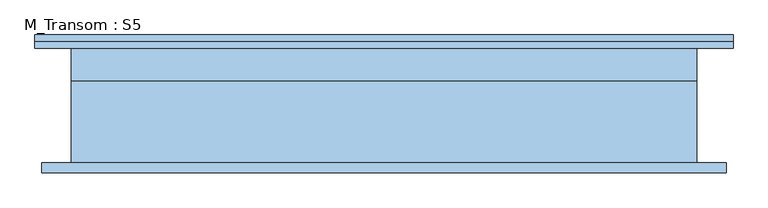
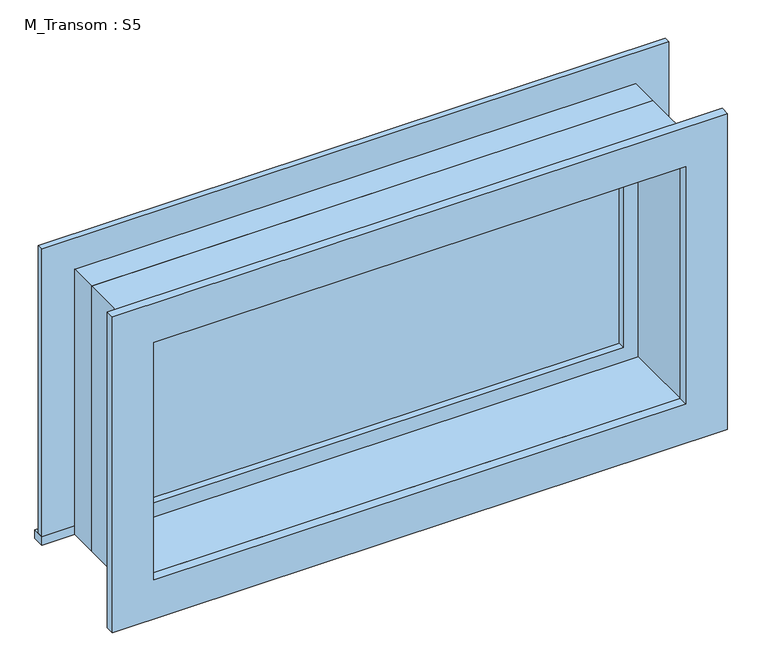
"""IFC4 building model written with IfcOpenShell, lengths in millimetres: window geometry, M_Transom : S5."""

from ifc_helpers import new_model, si_unit, frame, origin, place, context, project, spatial, polyline, outline, extrude, source, transform, mapped, element, save


def m_transom_s5_e37e0a9b(model_context):
    return source(origin(), model_context, "Body", "SweptSolid", [
        extrude(outline(polyline([(-708.05, 135.7), (631.85, 135.7), (631.85, 110.0), (-708.05, 110.0), (-708.05, 135.7)])), frame((0.0, 0.0, 2159.0), z_axis=(0.0, 0.0, 1.0), x_axis=(1.0, 0.0, 0.0)), (0.0, 0.0, 1.0), 19.05),
        extrude(outline(polyline([(2739.95, -619.05), (2739.95, 542.85), (2178.05, 542.85), (2178.05, 631.85), (2828.95, 631.85), (2828.95, -708.05), (2178.05, -708.05), (2178.05, -619.05), (2739.95, -619.05)])), frame((0.0, 110.0, 0.0), z_axis=(0.0, 1.0, 0.0), x_axis=(0.0, 0.0, 1.0)), (0.0, 0.0, 1.0), 13.0),
        extrude(outline(polyline([(2816.25, 619.15), (2816.25, -695.35), (2101.75, -695.35), (2101.75, 619.15), (2816.25, 619.15)]), holes=[polyline([(2727.25, 530.15), (2190.75, 530.15), (2190.75, -606.35), (2727.25, -606.35), (2727.25, 530.15)])]), frame((0.0, -129.0, 0.0), z_axis=(0.0, 1.0, 0.0), x_axis=(0.0, 0.0, 1.0)), (0.0, 0.0, 1.0), 19.0),
        extrude(outline(polyline([(498.4, 62.425), (-574.6, 62.425), (-574.6, 75.125), (498.4, 75.125), (498.4, 62.425)])), frame((0.0, 0.0, 2222.5), z_axis=(0.0, 0.0, 1.0), x_axis=(1.0, 0.0, 0.0)), (0.0, 0.0, 1.0), 473.0),
        extrude(outline(polyline([(2739.95, -619.05), (2178.05, -619.05), (2178.05, 542.85), (2739.95, 542.85), (2739.95, -619.05)]), holes=[polyline([(2695.5, -574.6), (2695.5, 498.4), (2222.5, 498.4), (2222.5, -574.6), (2695.5, -574.6)])]), frame((0.0, 46.55, 0.0), z_axis=(0.0, 1.0, 0.0), x_axis=(0.0, 0.0, 1.0)), (0.0, 0.0, 1.0), 44.45),
        extrude(outline(polyline([(2759.0, -638.1), (2159.0, -638.1), (2159.0, 561.9), (2759.0, 561.9), (2759.0, -638.1)]), holes=[polyline([(2727.25, -606.35), (2727.25, 530.15), (2190.75, 530.15), (2190.75, -606.35), (2727.25, -606.35)])]), frame((0.0, -110.0, 0.0), z_axis=(0.0, 1.0, 0.0), x_axis=(0.0, 0.0, 1.0)), (0.0, 0.0, 1.0), 156.55),
        extrude(outline(polyline([(2759.0, 561.9), (2759.0, -638.1), (2159.0, -638.1), (2159.0, 561.9), (2759.0, 561.9)]), holes=[polyline([(2739.95, 542.85), (2178.05, 542.85), (2178.05, -619.05), (2739.95, -619.05), (2739.95, 542.85)])]), frame((0.0, 46.55, 0.0), z_axis=(0.0, 1.0, 0.0), x_axis=(0.0, 0.0, 1.0)), (0.0, 0.0, 1.0), 63.45),
    ])


if __name__ == "__main__":
    model = new_model("IFC4")
    model_context = context("Model", 3, world=origin())
    ifc_project = project(units=[si_unit("LENGTHUNIT", "METRE", prefix="MILLI")], contexts=[model_context])
    site = spatial("IfcSite", under=ifc_project)
    building = spatial("IfcBuilding", under=site)
    placement = place(None, origin())
    m_transom_s5_shape = m_transom_s5_e37e0a9b(model_context)
    element("IfcWindow", 1, ObjectType="M_Transom : S5", at=placement, inside=building, context=model_context, shape_type="MappedRepresentation", body=[
        mapped(m_transom_s5_shape, transform((0.0, 0.0, 0.0), x_axis=(1.0, 0.0, 0.0), y_axis=(0.0, 1.0, 0.0), z_axis=(0.0, 0.0, 1.0))),
    ])
    save(model, "model.ifc")
